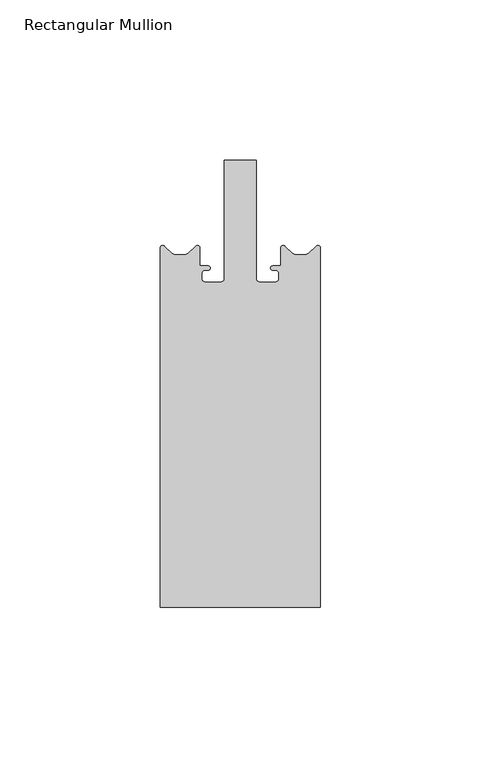
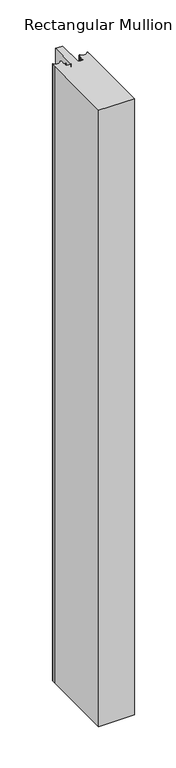
"""IFC4 building model written with IfcOpenShell, lengths in millimetres: member geometry, Rectangular Mullion."""

from ifc_helpers import new_model, si_unit, point, frame, frame_2d, origin, place, context, project, spatial, polyline, circle_curve, trimmed, segment, composite_curve, outline, extrude, source, transform, mapped, element, save


def rectangular_mullion_2ceee642(model_context):
    return source(origin(), model_context, "Body", "SweptSolid", [
        extrude(outline(composite_curve([segment(polyline([(-25.0, 20.5), (-25.0, 127.990954), (-25.0, 132.6060663)]), True, "CONTINUOUS"), segment(trimmed(circle_curve(frame_2d((-24.2060663, 132.6060663)), 0.7939337), [point((-25.0, 132.6060663))], [point((-23.6684576, 133.1902817))], False, "CARTESIAN"), True, "CONTINUOUS"), segment(polyline([(-23.6684576, 133.1902817), (-21.3405776, 131.048112)]), True, "CONTINUOUS"), segment(trimmed(circle_curve(frame_2d((-19.9862865, 132.5198101)), 2.0), [point((-21.3405776, 131.048112))], [point((-19.9862865, 130.5198101))], True, "CARTESIAN"), True, "CONTINUOUS"), segment(polyline([(-19.9862865, 130.5198101), (-18.8, 130.5198101), (-17.6137135, 130.5198101)]), True, "CONTINUOUS"), segment(trimmed(circle_curve(frame_2d((-17.6137135, 132.5198101)), 2.0), [point((-17.6137135, 130.5198101))], [point((-16.2594224, 131.048112))], True, "CARTESIAN"), True, "CONTINUOUS"), segment(polyline([(-16.2594224, 131.048112), (-13.9315424, 133.1902817)]), True, "CONTINUOUS"), segment(trimmed(circle_curve(frame_2d((-13.3939337, 132.6060663)), 0.7939337), [point((-13.9315424, 133.1902817))], [point((-12.6, 132.6060663))], False, "CARTESIAN"), True, "CONTINUOUS"), segment(polyline([(-12.6, 132.6060663), (-12.6, 127.0), (-10.04999, 127.0)]), True, "CONTINUOUS"), segment(trimmed(circle_curve(frame_2d((-10.04999, 126.35001)), 0.64999), [point((-10.04999, 127.0))], [point((-9.4, 126.35))], False, "CARTESIAN"), True, "CONTINUOUS"), segment(trimmed(circle_curve(frame_2d((-10.04999, 126.34999)), 0.64999), [point((-9.4, 126.35))], [point((-10.04999, 125.7))], False, "CARTESIAN"), True, "CONTINUOUS"), segment(polyline([(-10.04999, 125.7), (-11.0, 125.7)]), True, "CONTINUOUS"), segment(trimmed(circle_curve(frame_2d((-11.0, 124.7)), 1.0), [point((-11.0, 125.7))], [point((-12.0, 124.7))], True, "CARTESIAN"), True, "CONTINUOUS"), segment(polyline([(-12.0, 124.7), (-12.0, 123.0)]), True, "CONTINUOUS"), segment(trimmed(circle_curve(frame_2d((-11.0, 123.0)), 1.0), [point((-12.0, 123.0))], [point((-11.0, 122.0))], True, "CARTESIAN"), True, "CONTINUOUS"), segment(polyline([(-11.0, 122.0), (-6.0, 122.0)]), True, "CONTINUOUS"), segment(trimmed(circle_curve(frame_2d((-6.0, 123.0)), 1.0), [point((-6.0, 122.0))], [point((-5.0, 123.0))], True, "CARTESIAN"), True, "CONTINUOUS"), segment(polyline([(-5.0, 123.0), (-5.0, 160.0), (5.0, 160.0), (5.0, 123.0)]), True, "CONTINUOUS"), segment(trimmed(circle_curve(frame_2d((6.0, 123.0)), 1.0), [point((5.0, 123.0))], [point((6.0, 122.0))], True, "CARTESIAN"), True, "CONTINUOUS"), segment(polyline([(6.0, 122.0), (11.0, 122.0)]), True, "CONTINUOUS"), segment(trimmed(circle_curve(frame_2d((11.0, 123.0)), 1.0), [point((11.0, 122.0))], [point((12.0, 123.0))], True, "CARTESIAN"), True, "CONTINUOUS"), segment(polyline([(12.0, 123.0), (12.0, 124.7)]), True, "CONTINUOUS"), segment(trimmed(circle_curve(frame_2d((11.0, 124.7)), 1.0), [point((12.0, 124.7))], [point((11.0, 125.7))], True, "CARTESIAN"), True, "CONTINUOUS"), segment(polyline([(11.0, 125.7), (10.04999, 125.7)]), True, "CONTINUOUS"), segment(trimmed(circle_curve(frame_2d((10.04999, 126.34999)), 0.64999), [point((10.04999, 125.7))], [point((9.4, 126.35))], False, "CARTESIAN"), True, "CONTINUOUS"), segment(trimmed(circle_curve(frame_2d((10.04999, 126.35001)), 0.64999), [point((9.4, 126.35))], [point((10.04999, 127.0))], False, "CARTESIAN"), True, "CONTINUOUS"), segment(polyline([(10.04999, 127.0), (12.6, 127.0), (12.6, 132.6060663)]), True, "CONTINUOUS"), segment(trimmed(circle_curve(frame_2d((13.3939337, 132.6060663)), 0.7939337), [point((12.6, 132.6060663))], [point((13.9315424, 133.1902817))], False, "CARTESIAN"), True, "CONTINUOUS"), segment(polyline([(13.9315424, 133.1902817), (16.2594224, 131.048112)]), True, "CONTINUOUS"), segment(trimmed(circle_curve(frame_2d((17.6137135, 132.5198101)), 2.0), [point((16.2594224, 131.048112))], [point((17.6137135, 130.5198101))], True, "CARTESIAN"), True, "CONTINUOUS"), segment(polyline([(17.6137135, 130.5198101), (18.8, 130.5198101), (19.9862865, 130.5198101)]), True, "CONTINUOUS"), segment(trimmed(circle_curve(frame_2d((19.9862865, 132.5198101)), 2.0), [point((19.9862865, 130.5198101))], [point((21.3405776, 131.048112))], True, "CARTESIAN"), True, "CONTINUOUS"), segment(polyline([(21.3405776, 131.048112), (23.6684576, 133.1902817)]), True, "CONTINUOUS"), segment(trimmed(circle_curve(frame_2d((24.2060663, 132.6060663)), 0.7939337), [point((23.6684576, 133.1902817))], [point((25.0, 132.6060663))], False, "CARTESIAN"), True, "CONTINUOUS"), segment(polyline([(25.0, 132.6060663), (25.0, 127.990954), (25.0, 20.5), (-25.0, 20.5)]), True, "CONTINUOUS")], self_intersect=False)), frame((0.0, 0.0, -909.9999999), z_axis=(0.0, 0.0, 1.0), x_axis=(1.0, 0.0, 0.0)), (0.0, 0.0, 1.0), 909.9999999),
    ])


if __name__ == "__main__":
    model = new_model("IFC4")
    model_context = context("Model", 3, world=origin())
    ifc_project = project(units=[si_unit("LENGTHUNIT", "METRE", prefix="MILLI")], contexts=[model_context])
    site = spatial("IfcSite", under=ifc_project)
    building = spatial("IfcBuilding", under=site)
    placement = place(None, origin())
    rectangular_mullion_shape = rectangular_mullion_2ceee642(model_context)
    element("IfcMember", 1, ObjectType="Rectangular Mullion", at=placement, inside=building, context=model_context, shape_type="MappedRepresentation", body=[
        mapped(rectangular_mullion_shape, transform((0.0, 0.0, 0.0), x_axis=(1.0, 0.0, 0.0), y_axis=(0.0, 1.0, 0.0), z_axis=(0.0, 0.0, 1.0))),
    ])
    save(model, "model.ifc")
